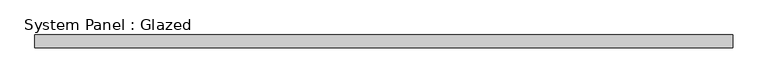
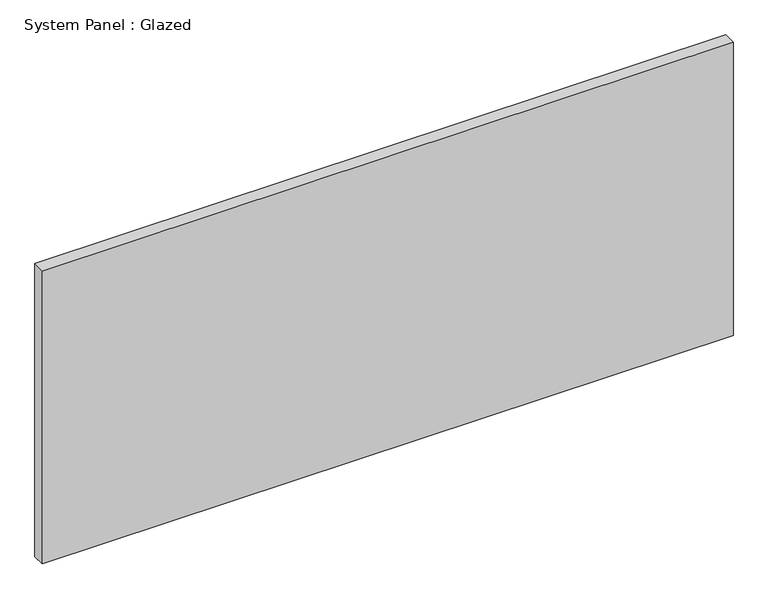
"""IFC4 building model written with IfcOpenShell, lengths in millimetres: plate geometry, System Panel : Glazed."""

from ifc_helpers import new_model, si_unit, origin, origin_with_axes, place, context, project, spatial, polyline, outline, extrude, source, transform, mapped, element, save


def system_panel_glazed_2f9497c8(model_context):
    return source(origin(), model_context, "Body", "SweptSolid", [
        extrude(outline(polyline([(685.8, 19.05), (-685.8, 19.05), (-685.8, 44.45), (685.8, 44.45), (685.8, 19.05)])), origin_with_axes(), (0.0, 0.0, 1.0), 615.95),
    ])


if __name__ == "__main__":
    model = new_model("IFC4")
    model_context = context("Model", 3, world=origin())
    ifc_project = project(units=[si_unit("LENGTHUNIT", "METRE", prefix="MILLI")], contexts=[model_context])
    site = spatial("IfcSite", under=ifc_project)
    building = spatial("IfcBuilding", under=site)
    placement = place(None, origin())
    system_panel_glazed_shape = system_panel_glazed_2f9497c8(model_context)
    element("IfcPlate", 1, ObjectType="System Panel : Glazed", at=placement, inside=building, context=model_context, shape_type="MappedRepresentation", body=[
        mapped(system_panel_glazed_shape, transform((0.0, 0.0, 0.0), x_axis=(1.0, 0.0, 0.0), y_axis=(0.0, 1.0, 0.0), z_axis=(0.0, 0.0, 1.0))),
    ])
    save(model, "model.ifc")
